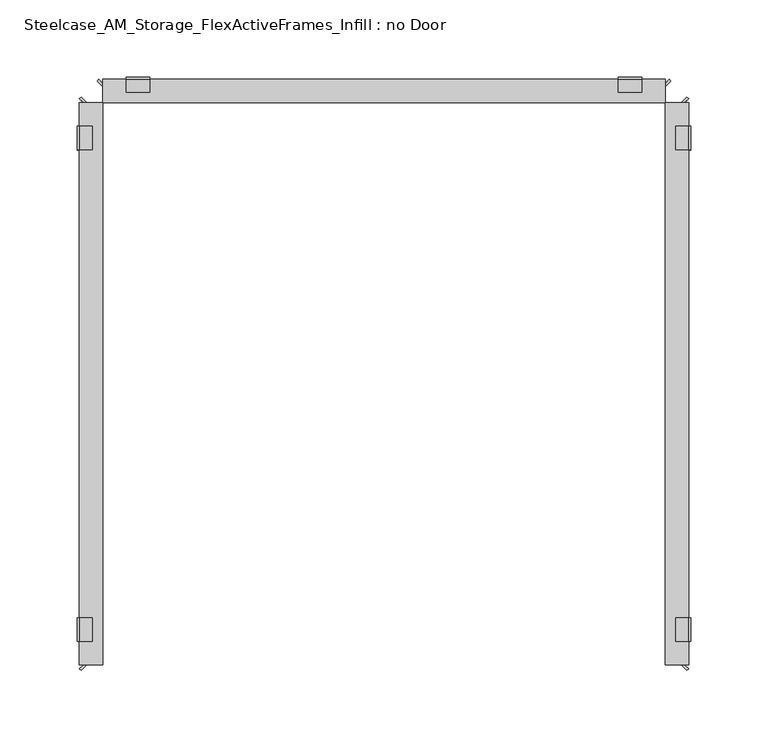
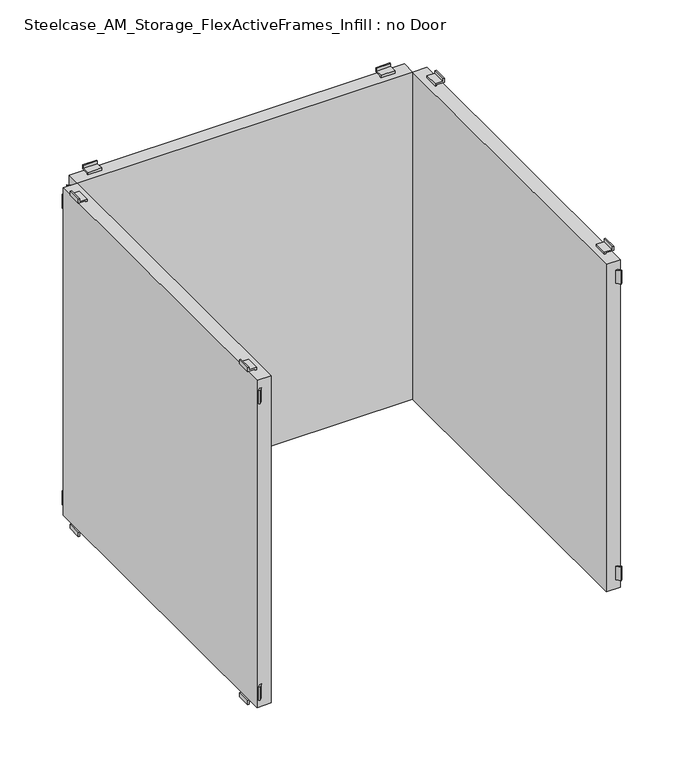
"""IFC4 building model written with IfcOpenShell, lengths in millimetres: furniture geometry, Steelcase_AM_Storage_FlexActiveFrames_Infill : no Door."""

import ifcopenshell
import ifcopenshell.guid

model = None  # the IFC model being written
_history = None  # IfcOwnerHistory: only IFC2X3 demands one
_inside = {}  # id of a spatial element -> (the spatial element, [elements in it])
_under = {}  # id of a project, library or spatial element -> (it, [spatial elements below it])
_declared = {}  # id of a project -> (the project, [libraries it declares])
_typed = {}  # id of a type object -> (the type object, [elements of that type])
_made_of = {}  # id of a material, layer set ... -> (it, [elements and type objects made of it])


def new_model(schema):
    """Start an empty IFC model of exactly this schema.

    Asked for "IFC4X3", IfcOpenShell would pick the latest addendum, in which some entities
    have other attributes; the version numbers below select the first issue.
    IFC2X3 requires an IfcOwnerHistory on every rooted entity: one is made here for all.
    """
    global model, _history
    if schema == "IFC4X3":
        model = ifcopenshell.file(schema_version=(4, 3, 0, 0))
    else:
        model = ifcopenshell.file(schema=schema)
    _inside.clear()
    _under.clear()
    _declared.clear()
    _typed.clear()
    _made_of.clear()
    _history = None
    if model.schema == "IFC2X3":
        org = make("IfcOrganization", Name="unknown")
        user = make(
            "IfcPersonAndOrganization",
            ThePerson=make("IfcPerson", FamilyName="unknown"),
            TheOrganization=org,
        )
        app = make(
            "IfcApplication",
            ApplicationDeveloper=org,
            Version="unknown",
            ApplicationFullName="unknown",
            ApplicationIdentifier="unknown",
        )
        _history = make(
            "IfcOwnerHistory",
            OwningUser=user,
            OwningApplication=app,
            ChangeAction="ADDED",
            CreationDate=0,
        )
    return model


def make(cls, **values):
    """One entity of the class cls with the attributes given. An attribute that is None is left unset."""
    return model.create_entity(
        cls, **{name: value for name, value in values.items() if value is not None}
    )


def rooted(cls, **values):
    """An entity with a GlobalId (a new one), such as an element, a storey or a relation."""
    return make(cls, GlobalId=ifcopenshell.guid.new(), OwnerHistory=_history, **values)


def si_unit(unit_type, name, prefix=None):
    """IfcSIUnit, for example si_unit("LENGTHUNIT", "METRE", prefix="MILLI")."""
    return make("IfcSIUnit", UnitType=unit_type, Prefix=prefix, Name=name)


def assignment(units):
    """IfcUnitAssignment: the units of a project."""
    return None if units is None else make("IfcUnitAssignment", Units=units)


def point(xyz):
    """IfcCartesianPoint."""
    return None if xyz is None else make("IfcCartesianPoint", Coordinates=xyz)


def direction(xyz):
    """IfcDirection."""
    return None if xyz is None else make("IfcDirection", DirectionRatios=xyz)


def frame(location, z_axis=None, x_axis=None):
    """IfcAxis2Placement3D, a coordinate frame: its origin and axes. An axis left out is left unset."""
    return make(
        "IfcAxis2Placement3D",
        Location=point(location),
        Axis=direction(z_axis),
        RefDirection=direction(x_axis),
    )


def origin():
    """The frame at (0, 0, 0) with its axes left unset."""
    return frame((0.0, 0.0, 0.0))


def place(relative_to, where):
    """IfcLocalPlacement: puts the frame where relative to a parent placement (None: the world)."""
    return make(
        "IfcLocalPlacement", PlacementRelTo=relative_to, RelativePlacement=where
    )


def context(
    kind, dimensions, precision=None, world=None, true_north=None, identifier=None
):
    """IfcGeometricRepresentationContext, for example the 3D "Model" context."""
    return make(
        "IfcGeometricRepresentationContext",
        ContextIdentifier=identifier,
        ContextType=kind,
        CoordinateSpaceDimension=dimensions,
        Precision=precision,
        WorldCoordinateSystem=world,
        TrueNorth=true_north,
    )


def project(units=None, contexts=None):
    """IfcProject with its units and contexts."""
    return rooted(
        "IfcProject",
        Name="project",
        RepresentationContexts=contexts,
        UnitsInContext=assignment(units),
    )


def spatial(cls, under=None, at=None, **own):
    """A site, building, storey or space (cls), placed at a placement, below another one or the project."""
    s = rooted(cls, ObjectPlacement=at, **own)
    if under is not None:
        _under.setdefault(under.id(), (under, []))[1].append(s)
    return s


def polyline(points):
    """IfcPolyline through the points."""
    return make("IfcPolyline", Points=[point(p) for p in points])


def outline(outer, holes=None, kind="AREA"):
    """IfcArbitraryClosedProfileDef: a profile drawn as a closed curve; with holes, ...WithVoids."""
    if holes is None:
        return make("IfcArbitraryClosedProfileDef", ProfileType=kind, OuterCurve=outer)
    return make(
        "IfcArbitraryProfileDefWithVoids",
        ProfileType=kind,
        OuterCurve=outer,
        InnerCurves=holes,
    )


def extrude(swept, where, along, depth):
    """IfcExtrudedAreaSolid: the profile swept, set in the frame where, extruded along a direction by depth."""
    return make(
        "IfcExtrudedAreaSolid",
        SweptArea=swept,
        Position=where,
        ExtrudedDirection=direction(along),
        Depth=depth,
    )


def shape(context_of_items, identifier, shape_type, items):
    """IfcShapeRepresentation: the items that make up one representation, for example the "Body"."""
    return make(
        "IfcShapeRepresentation",
        ContextOfItems=context_of_items,
        RepresentationIdentifier=identifier,
        RepresentationType=shape_type,
        Items=items,
    )


def source(mapping_origin, context_of_items, identifier, shape_type, items):
    """IfcRepresentationMap: a shape defined once, which mapped items show again and again."""
    return make(
        "IfcRepresentationMap",
        MappingOrigin=mapping_origin,
        MappedRepresentation=shape(context_of_items, identifier, shape_type, items),
    )


def transform(
    local_origin,
    x_axis=None,
    y_axis=None,
    z_axis=None,
    scale=None,
    scale2=None,
    scale3=None,
    uniform=True,
):
    """IfcCartesianTransformationOperator3D, or its non-uniform kind. x_axis, y_axis, z_axis: its Axis1, 2, 3."""
    if uniform:
        return make(
            "IfcCartesianTransformationOperator3D",
            Axis1=direction(x_axis),
            Axis2=direction(y_axis),
            LocalOrigin=point(local_origin),
            Scale=scale,
            Axis3=direction(z_axis),
        )
    return make(
        "IfcCartesianTransformationOperator3DnonUniform",
        Axis1=direction(x_axis),
        Axis2=direction(y_axis),
        LocalOrigin=point(local_origin),
        Scale=scale,
        Axis3=direction(z_axis),
        Scale2=scale2,
        Scale3=scale3,
    )


def mapped(mapping_source, mapping_target):
    """IfcMappedItem: shows the shape of a source again, moved by a transform."""
    return make(
        "IfcMappedItem", MappingSource=mapping_source, MappingTarget=mapping_target
    )


def made_of(thing, what):
    """Note that an element or type object is made of a material, layer set ...; save() writes the relation."""
    if what is not None:
        _made_of.setdefault(what.id(), (what, []))[1].append(thing)
    return thing


def element(
    cls,
    number,
    at=None,
    inside=None,
    cuts=None,
    type_object=None,
    material=None,
    context=None,
    identifier="Body",
    shape_type=None,
    held_by="IfcProductDefinitionShape",
    body=None,
    shapes=None,
    **own,
):
    """One element of the class cls, such as IfcWall. Its Tag is "e" and its number.

    at: its placement. inside: the storey or other place that contains it. cuts: it is an
    opening in that element (IfcRelVoidsElement). A single representation is given by context,
    identifier, shape_type and body (its items); several are given by shapes. held_by: the class
    of the entity that holds the representations. save() writes the other relations.
    """
    e = rooted(cls, Tag="e%d" % number, ObjectPlacement=at, **own)
    if body is not None:
        shapes = [shape(context, identifier, shape_type, body)]
    if shapes is not None:
        e.Representation = make(held_by, Representations=shapes)
    if inside is not None:
        _inside.setdefault(inside.id(), (inside, []))[1].append(e)
    if cuts is not None:
        rooted(
            "IfcRelVoidsElement", RelatingBuildingElement=cuts, RelatedOpeningElement=e
        )
    if type_object is not None:
        _typed.setdefault(type_object.id(), (type_object, []))[1].append(e)
    return made_of(e, material)


def aggregate(whole, parts):
    """IfcRelAggregates: a whole, such as a stair, and the parts it consists of."""
    return rooted("IfcRelAggregates", RelatingObject=whole, RelatedObjects=parts)


def save(model, path):
    """Write the relations noted so far, then the file.

    IfcRelAggregates (storeys below a building ...), IfcRelContainedInSpatialStructure (elements
    in a storey), IfcRelDefinesByType, IfcRelAssociatesMaterial and IfcRelDeclares: one each for
    every whole, place, type object, material and project.
    """
    for whole, parts in _under.values():
        aggregate(whole, parts)
    for where, things in _inside.values():
        rooted(
            "IfcRelContainedInSpatialStructure",
            RelatedElements=things,
            RelatingStructure=where,
        )
    for kind, things in _typed.values():
        rooted("IfcRelDefinesByType", RelatedObjects=things, RelatingType=kind)
    for what, things in _made_of.values():
        rooted("IfcRelAssociatesMaterial", RelatedObjects=things, RelatingMaterial=what)
    for by, libraries in _declared.values():
        rooted("IfcRelDeclares", RelatingContext=by, RelatedDefinitions=libraries)
    model.write(path)


def steelcase_am_storage_flexactiveframes_infill_no_door_1d0ec052(model_context):
    return source(origin(), model_context, "Body", "SweptSolid", [
        extrude(outline(polyline([(394.8423586, -382.27), (397.4973445, -384.924986), (396.4197138, -386.0026167), (392.6870971, -382.27), (394.8423586, -382.27)])), frame((0.0, 0.0, 472.0336), z_axis=(0.0, 0.0, 1.0), x_axis=(1.0, 0.0, 0.0)), (0.0, 0.0, 1.0), 15.24),
        extrude(outline(polyline([(394.8423586, -17.78), (392.6870971, -17.78), (396.4197138, -14.0473833), (397.4973445, -15.125014), (394.8423586, -17.78)])), frame((0.0, 0.0, 472.0336), z_axis=(0.0, 0.0, 1.0), x_axis=(1.0, 0.0, 0.0)), (0.0, 0.0, 1.0), 15.24),
        extrude(outline(polyline([(394.8423586, -382.27), (397.4973445, -384.924986), (396.4197138, -386.0026167), (392.6870971, -382.27), (394.8423586, -382.27)])), frame((0.0, 0.0, 131.6736), z_axis=(0.0, 0.0, 1.0), x_axis=(1.0, 0.0, 0.0)), (0.0, 0.0, 1.0), 15.24),
        extrude(outline(polyline([(394.8423586, -17.78), (392.6870971, -17.78), (396.4197138, -14.0473833), (397.4973445, -15.125014), (394.8423586, -17.78)])), frame((0.0, 0.0, 131.6736), z_axis=(0.0, 0.0, 1.0), x_axis=(1.0, 0.0, 0.0)), (0.0, 0.0, 1.0), 15.24),
        extrude(outline(polyline([(503.0770636, 397.51), (499.9736, 397.51), (499.9736, 389.128), (497.4336, 389.128), (497.4336, 390.652), (498.4496, 390.652), (498.4496, 399.034), (503.0770636, 399.034), (503.0770636, 397.51)])), frame((0.0, -48.26, 0.0), z_axis=(0.0, 1.0, 0.0), x_axis=(0.0, 0.0, 1.0)), (0.0, 0.0, 1.0), 15.24),
        extrude(outline(polyline([(115.8701364, 397.51), (115.8701364, 399.034), (120.4976, 399.034), (120.4976, 390.652), (121.5136, 390.652), (121.5136, 389.128), (118.9736, 389.128), (118.9736, 397.51), (115.8701364, 397.51)])), frame((0.0, -48.26, 0.0), z_axis=(0.0, 1.0, 0.0), x_axis=(0.0, 0.0, 1.0)), (0.0, 0.0, 1.0), 15.24),
        extrude(outline(polyline([(503.0770636, 397.51), (499.9736, 397.51), (499.9736, 389.128), (497.4336, 389.128), (497.4336, 390.652), (498.4496, 390.652), (498.4496, 399.034), (503.0770636, 399.034), (503.0770636, 397.51)])), frame((0.0, -367.03, 0.0), z_axis=(0.0, 1.0, 0.0), x_axis=(0.0, 0.0, 1.0)), (0.0, 0.0, 1.0), 15.24),
        extrude(outline(polyline([(115.8701364, 397.51), (115.8701364, 399.034), (120.4976, 399.034), (120.4976, 390.652), (121.5136, 390.652), (121.5136, 389.128), (118.9736, 389.128), (118.9736, 397.51), (115.8701364, 397.51)])), frame((0.0, -367.03, 0.0), z_axis=(0.0, 1.0, 0.0), x_axis=(0.0, 0.0, 1.0)), (0.0, 0.0, 1.0), 15.24),
        extrude(outline(polyline([(382.27, -17.78), (397.51, -17.78), (397.51, -382.27), (382.27, -382.27), (382.27, -17.78)])), frame((0.0, 0.0, 121.5136), z_axis=(0.0, 0.0, 1.0), x_axis=(1.0, 0.0, 0.0)), (0.0, 0.0, 1.0), 375.92),
        extrude(outline(polyline([(5.2076414, -382.27), (7.3629029, -382.27), (3.6302862, -386.0026167), (2.5526555, -384.924986), (5.2076414, -382.27)])), frame((0.0, 0.0, 472.0336), z_axis=(0.0, 0.0, 1.0), x_axis=(1.0, 0.0, 0.0)), (0.0, 0.0, 1.0), 15.24),
        extrude(outline(polyline([(5.2076414, -17.78), (2.5526555, -15.125014), (3.6302862, -14.0473833), (7.3629029, -17.78), (5.2076414, -17.78)])), frame((0.0, 0.0, 472.0336), z_axis=(0.0, 0.0, 1.0), x_axis=(1.0, 0.0, 0.0)), (0.0, 0.0, 1.0), 15.24),
        extrude(outline(polyline([(5.2076414, -382.27), (7.3629029, -382.27), (3.6302862, -386.0026167), (2.5526555, -384.924986), (5.2076414, -382.27)])), frame((0.0, 0.0, 131.6736), z_axis=(0.0, 0.0, 1.0), x_axis=(1.0, 0.0, 0.0)), (0.0, 0.0, 1.0), 15.24),
        extrude(outline(polyline([(5.2076414, -17.78), (2.5526555, -15.125014), (3.6302862, -14.0473833), (7.3629029, -17.78), (5.2076414, -17.78)])), frame((0.0, 0.0, 131.6736), z_axis=(0.0, 0.0, 1.0), x_axis=(1.0, 0.0, 0.0)), (0.0, 0.0, 1.0), 15.24),
        extrude(outline(polyline([(503.0770636, 2.54), (503.0770636, 1.016), (498.4496, 1.016), (498.4496, 9.398), (497.4336, 9.398), (497.4336, 10.922), (499.9736, 10.922), (499.9736, 2.54), (503.0770636, 2.54)])), frame((0.0, -48.26, 0.0), z_axis=(0.0, 1.0, 0.0), x_axis=(0.0, 0.0, 1.0)), (0.0, 0.0, 1.0), 15.24),
        extrude(outline(polyline([(115.8701364, 2.54), (118.9736, 2.54), (118.9736, 10.922), (121.5136, 10.922), (121.5136, 9.398), (120.4976, 9.398), (120.4976, 1.016), (115.8701364, 1.016), (115.8701364, 2.54)])), frame((0.0, -48.26, 0.0), z_axis=(0.0, 1.0, 0.0), x_axis=(0.0, 0.0, 1.0)), (0.0, 0.0, 1.0), 15.24),
        extrude(outline(polyline([(503.0770636, 2.54), (503.0770636, 1.016), (498.4496, 1.016), (498.4496, 9.398), (497.4336, 9.398), (497.4336, 10.922), (499.9736, 10.922), (499.9736, 2.54), (503.0770636, 2.54)])), frame((0.0, -367.03, 0.0), z_axis=(0.0, 1.0, 0.0), x_axis=(0.0, 0.0, 1.0)), (0.0, 0.0, 1.0), 15.24),
        extrude(outline(polyline([(115.8701364, 2.54), (118.9736, 2.54), (118.9736, 10.922), (121.5136, 10.922), (121.5136, 9.398), (120.4976, 9.398), (120.4976, 1.016), (115.8701364, 1.016), (115.8701364, 2.54)])), frame((0.0, -367.03, 0.0), z_axis=(0.0, 1.0, 0.0), x_axis=(0.0, 0.0, 1.0)), (0.0, 0.0, 1.0), 15.24),
        extrude(outline(polyline([(17.78, -17.78), (17.78, -382.27), (2.54, -382.27), (2.54, -17.78), (17.78, -17.78)])), frame((0.0, 0.0, 121.5136), z_axis=(0.0, 0.0, 1.0), x_axis=(1.0, 0.0, 0.0)), (0.0, 0.0, 1.0), 375.92),
        extrude(outline(polyline([(17.78, -5.2076414), (17.78, -7.3629029), (14.0473833, -3.6302862), (15.125014, -2.5526555), (17.78, -5.2076414)])), frame((0.0, 0.0, 472.0336), z_axis=(0.0, 0.0, 1.0), x_axis=(1.0, 0.0, 0.0)), (0.0, 0.0, 1.0), 15.24),
        extrude(outline(polyline([(382.27, -5.2076414), (384.924986, -2.5526555), (386.0026167, -3.6302862), (382.27, -7.3629029), (382.27, -5.2076414)])), frame((0.0, 0.0, 472.0336), z_axis=(0.0, 0.0, 1.0), x_axis=(1.0, 0.0, 0.0)), (0.0, 0.0, 1.0), 15.24),
        extrude(outline(polyline([(17.78, -5.2076414), (17.78, -7.3629029), (14.0473833, -3.6302862), (15.125014, -2.5526555), (17.78, -5.2076414)])), frame((0.0, 0.0, 131.6736), z_axis=(0.0, 0.0, 1.0), x_axis=(1.0, 0.0, 0.0)), (0.0, 0.0, 1.0), 15.24),
        extrude(outline(polyline([(382.27, -5.2076414), (384.924986, -2.5526555), (386.0026167, -3.6302862), (382.27, -7.3629029), (382.27, -5.2076414)])), frame((0.0, 0.0, 131.6736), z_axis=(0.0, 0.0, 1.0), x_axis=(1.0, 0.0, 0.0)), (0.0, 0.0, 1.0), 15.24),
        extrude(outline(polyline([(-2.54, 503.0770636), (-1.016, 503.0770636), (-1.016, 498.4496), (-9.398, 498.4496), (-9.398, 497.4336), (-10.922, 497.4336), (-10.922, 499.9736), (-2.54, 499.9736), (-2.54, 503.0770636)])), frame((351.79, 0.0, 0.0), z_axis=(1.0, 0.0, 0.0), x_axis=(0.0, 1.0, 0.0)), (0.0, 0.0, 1.0), 15.24),
        extrude(outline(polyline([(-2.54, 115.8701364), (-2.54, 118.9736), (-10.922, 118.9736), (-10.922, 121.5136), (-9.398, 121.5136), (-9.398, 120.4976), (-1.016, 120.4976), (-1.016, 115.8701364), (-2.54, 115.8701364)])), frame((351.79, 0.0, 0.0), z_axis=(1.0, 0.0, 0.0), x_axis=(0.0, 1.0, 0.0)), (0.0, 0.0, 1.0), 15.24),
        extrude(outline(polyline([(-2.54, 503.0770636), (-1.016, 503.0770636), (-1.016, 498.4496), (-9.398, 498.4496), (-9.398, 497.4336), (-10.922, 497.4336), (-10.922, 499.9736), (-2.54, 499.9736), (-2.54, 503.0770636)])), frame((33.02, 0.0, 0.0), z_axis=(1.0, 0.0, 0.0), x_axis=(0.0, 1.0, 0.0)), (0.0, 0.0, 1.0), 15.24),
        extrude(outline(polyline([(-2.54, 115.8701364), (-2.54, 118.9736), (-10.922, 118.9736), (-10.922, 121.5136), (-9.398, 121.5136), (-9.398, 120.4976), (-1.016, 120.4976), (-1.016, 115.8701364), (-2.54, 115.8701364)])), frame((33.02, 0.0, 0.0), z_axis=(1.0, 0.0, 0.0), x_axis=(0.0, 1.0, 0.0)), (0.0, 0.0, 1.0), 15.24),
        extrude(outline(polyline([(382.27, -17.78), (17.78, -17.78), (17.78, -2.54), (382.27, -2.54), (382.27, -17.78)])), frame((0.0, 0.0, 121.5136), z_axis=(0.0, 0.0, 1.0), x_axis=(1.0, 0.0, 0.0)), (0.0, 0.0, 1.0), 375.92),
    ])


if __name__ == "__main__":
    model = new_model("IFC4")
    model_context = context("Model", 3, world=origin())
    ifc_project = project(units=[si_unit("LENGTHUNIT", "METRE", prefix="MILLI")], contexts=[model_context])
    site = spatial("IfcSite", under=ifc_project)
    building = spatial("IfcBuilding", under=site)
    placement = place(None, origin())
    steelcase_am_storage_flexactiveframes_infill_no_door_shape = steelcase_am_storage_flexactiveframes_infill_no_door_1d0ec052(model_context)
    element("IfcFurniture", 1, ObjectType="Steelcase_AM_Storage_FlexActiveFrames_Infill : no Door", at=placement, inside=building, context=model_context, shape_type="MappedRepresentation", body=[
        mapped(steelcase_am_storage_flexactiveframes_infill_no_door_shape, transform((0.0, 0.0, 0.0), x_axis=(1.0, 0.0, 0.0), y_axis=(0.0, 1.0, 0.0), z_axis=(0.0, 0.0, 1.0))),
    ])
    save(model, "model.ifc")
